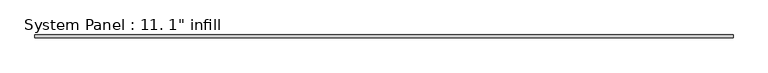
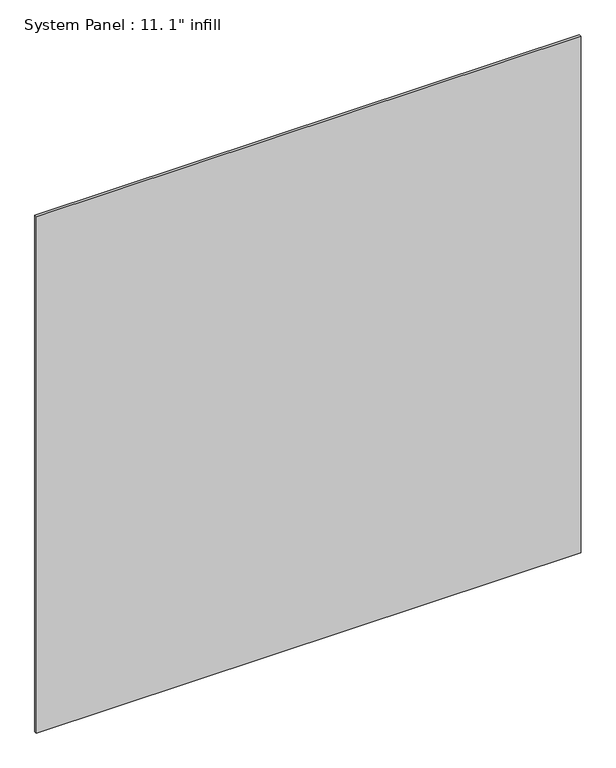
"""IFC4 building model written with IfcOpenShell, lengths in millimetres: plate geometry."""

from ifc_helpers import new_model, si_unit, origin, origin_with_axes, place, context, project, spatial, polyline, outline, extrude, source, transform, mapped, element, save


def plate_e4d0068b(model_context):
    return source(origin(), model_context, "Body", "SweptSolid", [
        extrude(outline(polyline([(3008.1553481, -12.7), (-3008.1553481, -12.7), (-3008.1553481, 12.7), (3008.1553481, 12.7), (3008.1553481, -12.7)])), origin_with_axes(), (0.0, 0.0, 1.0), 6026.591383),
    ])


if __name__ == "__main__":
    model = new_model("IFC4")
    model_context = context("Model", 3, world=origin())
    ifc_project = project(units=[si_unit("LENGTHUNIT", "METRE", prefix="MILLI")], contexts=[model_context])
    site = spatial("IfcSite", under=ifc_project)
    building = spatial("IfcBuilding", under=site)
    placement = place(None, origin())
    plate_shape = plate_e4d0068b(model_context)
    element("IfcPlate", 1, ObjectType="System Panel : 11. 1\" infill", at=placement, inside=building, context=model_context, shape_type="MappedRepresentation", body=[
        mapped(plate_shape, transform((0.0, 0.0, 0.0), x_axis=(1.0, 0.0, 0.0), y_axis=(0.0, 1.0, 0.0), z_axis=(0.0, 0.0, 1.0))),
    ])
    save(model, "model.ifc")
